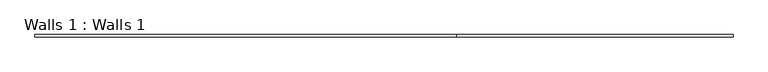
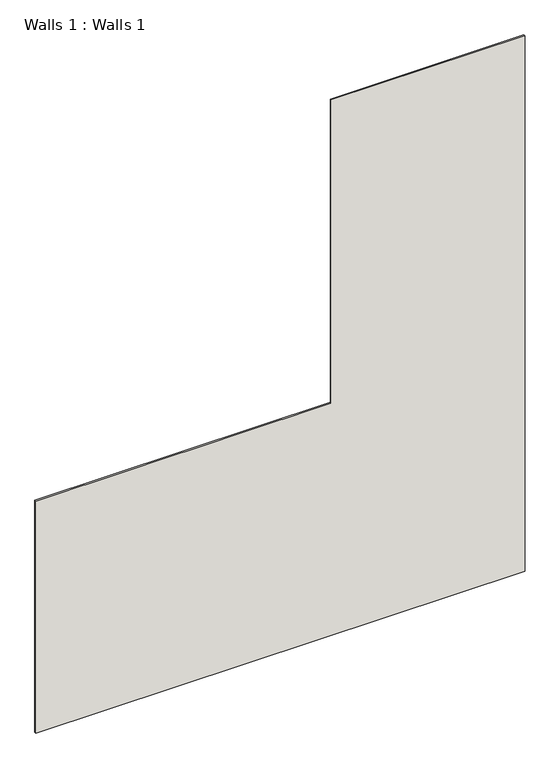
"""IFC4 building model written with IfcOpenShell, lengths in millimetres: wall geometry, Walls 1 : Walls 1."""

from ifc_helpers import new_model, si_unit, frame, origin, place, context, project, spatial, polyline, outline, extrude, source, transform, mapped, element, save


def walls_1_walls_1_688768c9(model_context):
    return source(origin(), model_context, "Body", "SweptSolid", [
        extrude(outline(polyline([(150.0, 1447.3819848), (2341.6348448, 1447.3819848), (2341.6348448, 697.3819848), (1100.0, 697.3819848), (1100.0, -447.6180152), (150.0, -447.6180152), (150.0, 1447.3819848)])), frame((0.0, -7258.4659994, 0.0), z_axis=(0.0, 1.0, 0.0), x_axis=(0.0, 0.0, 1.0)), (0.0, 0.0, 1.0), 6.1376729),
    ])


if __name__ == "__main__":
    model = new_model("IFC4")
    model_context = context("Model", 3, world=origin())
    ifc_project = project(units=[si_unit("LENGTHUNIT", "METRE", prefix="MILLI")], contexts=[model_context])
    site = spatial("IfcSite", under=ifc_project)
    building = spatial("IfcBuilding", under=site)
    placement = place(None, origin())
    walls_1_walls_1_shape = walls_1_walls_1_688768c9(model_context)
    element("IfcWall", 1, ObjectType="Walls 1 : Walls 1", at=placement, inside=building, context=model_context, shape_type="MappedRepresentation", body=[
        mapped(walls_1_walls_1_shape, transform((0.0, 0.0, 0.0), x_axis=(1.0, 0.0, 0.0), y_axis=(0.0, 1.0, 0.0), z_axis=(0.0, 0.0, 1.0))),
    ])
    save(model, "model.ifc")
